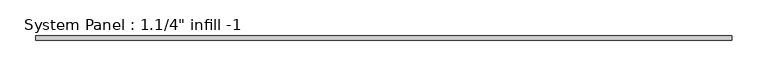
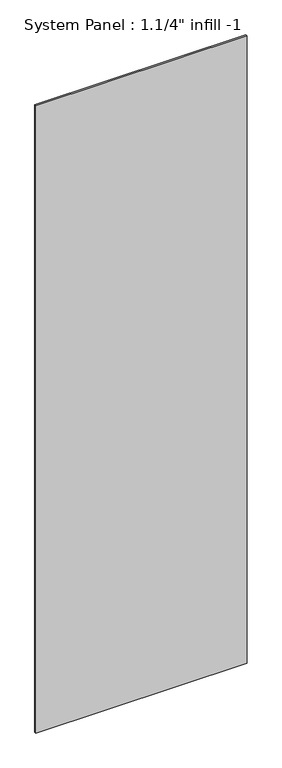
"""IFC4 building model written with IfcOpenShell, lengths in millimetres: plate geometry."""

from ifc_helpers import new_model, si_unit, origin, origin_with_axes, place, context, project, spatial, polyline, outline, extrude, source, transform, mapped, element, save


def plate_9780a892(model_context):
    return source(origin(), model_context, "Body", "SweptSolid", [
        extrude(outline(polyline([(485.775, 0.0), (-485.775, 0.0), (-485.775, 6.35), (485.775, 6.35), (485.775, 0.0)])), origin_with_axes(), (0.0, 0.0, 1.0), 3048.0),
    ])


if __name__ == "__main__":
    model = new_model("IFC4")
    model_context = context("Model", 3, world=origin())
    ifc_project = project(units=[si_unit("LENGTHUNIT", "METRE", prefix="MILLI")], contexts=[model_context])
    site = spatial("IfcSite", under=ifc_project)
    building = spatial("IfcBuilding", under=site)
    placement = place(None, origin())
    plate_shape = plate_9780a892(model_context)
    element("IfcPlate", 1, ObjectType="System Panel : 1.1/4\" infill -1", at=placement, inside=building, context=model_context, shape_type="MappedRepresentation", body=[
        mapped(plate_shape, transform((0.0, 0.0, 0.0), x_axis=(1.0, 0.0, 0.0), y_axis=(0.0, 1.0, 0.0), z_axis=(0.0, 0.0, 1.0))),
    ])
    save(model, "model.ifc")
